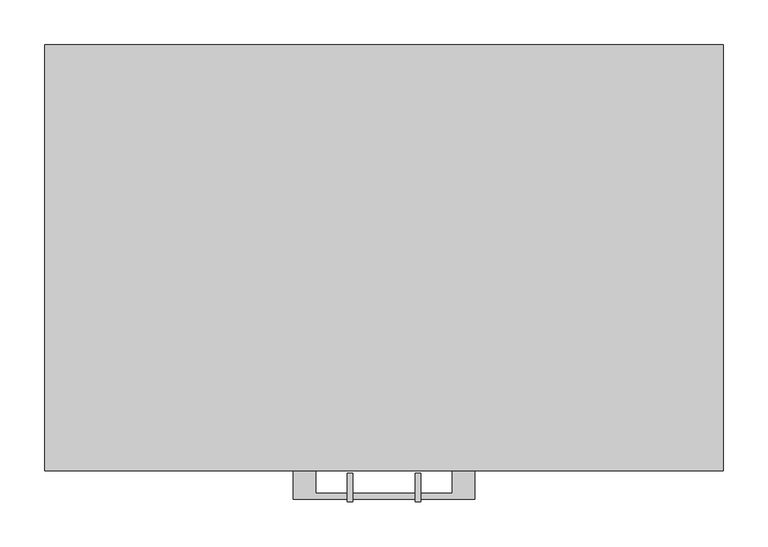
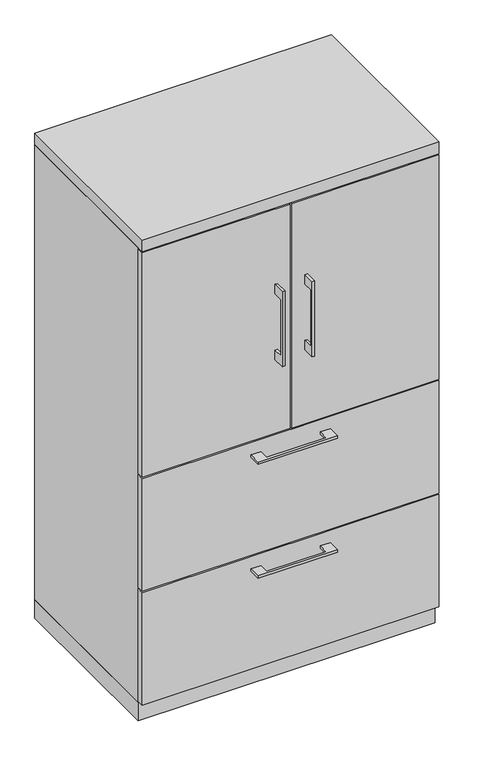
"""IFC4 building model written with IfcOpenShell, lengths in millimetres: furniture geometry."""

from ifc_helpers import new_model, si_unit, frame, origin, origin_with_axes, place, context, project, spatial, polyline, outline, extrude, source, transform, mapped, element, save


def furniture_13aa1ab8(model_context):
    return source(origin(), model_context, "Body", "SweptSolid", [
        extrude(outline(polyline([(-479.425, 1049.3375), (-504.8249758, 1049.3375), (-504.8249758, 896.9375), (-479.425, 896.9375), (-479.425, 871.5375), (-511.1749879, 871.5375), (-511.1749879, 1074.7375), (-479.425, 1074.7375), (-479.425, 1049.3375)])), frame((-41.2749879, 0.0, 0.0), z_axis=(1.0, 0.0, 0.0), x_axis=(0.0, 1.0, 0.0)), (0.0, 0.0, 1.0), 6.3499758),
        extrude(outline(polyline([(-379.4125, -476.25), (-379.4125, -457.2), (-1.5875, -457.2), (-1.5875, -476.25), (-379.4125, -476.25)])), frame((0.0, 0.0, 669.925), z_axis=(0.0, 0.0, 1.0), x_axis=(1.0, 0.0, 0.0)), (0.0, 0.0, 1.0), 606.425),
        extrude(outline(polyline([(-479.425, 1049.3375), (-504.8249758, 1049.3375), (-504.8249758, 896.9375), (-479.425, 896.9375), (-479.425, 871.5375), (-511.1749879, 871.5375), (-511.1749879, 1074.7375), (-479.425, 1074.7375), (-479.425, 1049.3375)])), frame((34.9250121, 0.0, 0.0), z_axis=(1.0, 0.0, 0.0), x_axis=(0.0, 1.0, 0.0)), (0.0, 0.0, 1.0), 6.3499758),
        extrude(outline(polyline([(379.4125, -476.25), (1.5875, -476.25), (1.5875, -457.2), (379.4125, -457.2), (379.4125, -476.25)])), frame((0.0, 0.0, 669.925), z_axis=(0.0, 0.0, 1.0), x_axis=(1.0, 0.0, 0.0)), (0.0, 0.0, 1.0), 606.425),
        extrude(outline(polyline([(360.3625, -19.05), (360.3625, -457.2), (-360.3625, -457.2), (-360.3625, -19.05), (360.3625, -19.05)])), frame((0.0, 0.0, 965.2), z_axis=(0.0, 0.0, 1.0), x_axis=(1.0, 0.0, 0.0)), (0.0, 0.0, 1.0), 19.05),
        extrude(outline(polyline([(-76.1999818, -476.25), (-76.1999818, -501.6499758), (76.2, -501.6499758), (76.2, -476.25), (101.5999939, -476.25), (101.5999939, -507.9999879), (-101.5999939, -507.9999879), (-101.5999939, -476.25), (-76.1999818, -476.25)])), frame((0.0, 0.0, 627.0625506), z_axis=(0.0, 0.0, 1.0), x_axis=(1.0, 0.0, 0.0)), (0.0, 0.0, 1.0), 6.3499758),
        extrude(outline(polyline([(379.4125, -457.2), (379.4125, -476.25), (-379.4125, -476.25), (-379.4125, -457.2), (379.4125, -457.2)])), frame((0.0, 0.0, 361.95), z_axis=(0.0, 0.0, 1.0), x_axis=(1.0, 0.0, 0.0)), (0.0, 0.0, 1.0), 304.8),
        extrude(outline(polyline([(-76.1999818, -476.25), (-76.1999818, -501.6499758), (76.2, -501.6499758), (76.2, -476.25), (101.5999939, -476.25), (101.5999939, -507.9999879), (-101.5999939, -507.9999879), (-101.5999939, -476.25), (-76.1999818, -476.25)])), frame((0.0, 0.0, 319.0875506), z_axis=(0.0, 0.0, 1.0), x_axis=(1.0, 0.0, 0.0)), (0.0, 0.0, 1.0), 6.3499758),
        extrude(outline(polyline([(379.4125, -457.2), (379.4125, -476.25), (-379.4125, -476.25), (-379.4125, -457.2), (379.4125, -457.2)])), frame((0.0, 0.0, 53.975), z_axis=(0.0, 0.0, 1.0), x_axis=(1.0, 0.0, 0.0)), (0.0, 0.0, 1.0), 304.8),
        extrude(outline(polyline([(360.3625, -19.05), (360.3625, -457.2), (-360.3625, -457.2), (-360.3625, -19.05), (360.3625, -19.05)])), frame((0.0, 0.0, 50.8), z_axis=(0.0, 0.0, 1.0), x_axis=(1.0, 0.0, 0.0)), (0.0, 0.0, 1.0), 619.125),
        extrude(outline(polyline([(-379.4125, 0.0), (379.4125, 0.0), (379.4125, -457.2), (360.3625, -457.2), (360.3625, -19.05), (-360.3625, -19.05), (-360.3625, -457.2), (-379.4125, -457.2), (-379.4125, 0.0)])), frame((0.0, 0.0, 50.8), z_axis=(0.0, 0.0, 1.0), x_axis=(1.0, 0.0, 0.0)), (0.0, 0.0, 1.0), 1228.725),
        extrude(outline(polyline([(379.4125, 0.0), (379.4125, -476.25), (-379.4125, -476.25), (-379.4125, 0.0), (379.4125, 0.0)])), frame((0.0, 0.0, 1279.525), z_axis=(0.0, 0.0, 1.0), x_axis=(1.0, 0.0, 0.0)), (0.0, 0.0, 1.0), 31.75),
        extrude(outline(polyline([(379.4125, 0.0), (379.4125, -457.2), (-379.4125, -457.2), (-379.4125, 0.0), (379.4125, 0.0)])), origin_with_axes(), (0.0, 0.0, 1.0), 50.8),
    ])


if __name__ == "__main__":
    model = new_model("IFC4")
    model_context = context("Model", 3, world=origin())
    ifc_project = project(units=[si_unit("LENGTHUNIT", "METRE", prefix="MILLI")], contexts=[model_context])
    site = spatial("IfcSite", under=ifc_project)
    building = spatial("IfcBuilding", under=site)
    placement = place(None, origin())
    furniture_shape = furniture_13aa1ab8(model_context)
    element("IfcFurniture", 1, at=placement, inside=building, context=model_context, shape_type="MappedRepresentation", body=[
        mapped(furniture_shape, transform((0.0, 0.0, 0.0), x_axis=(1.0, 0.0, 0.0), y_axis=(0.0, 1.0, 0.0), z_axis=(0.0, 0.0, 1.0))),
    ])
    save(model, "model.ifc")
